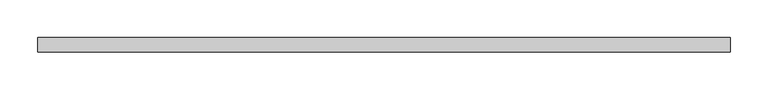
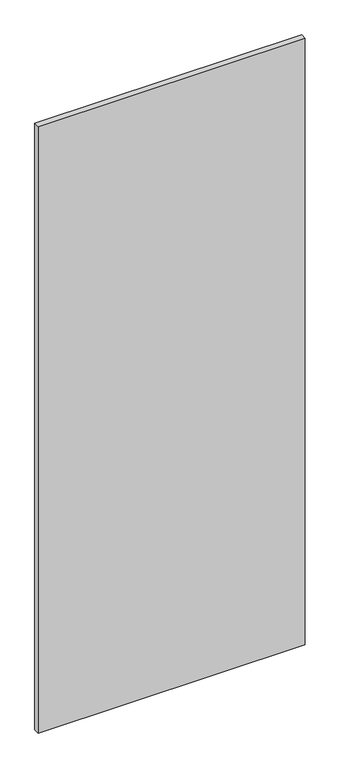
"""IFC4 building model written with IfcOpenShell, lengths in millimetres: proxy geometry."""

from ifc_helpers import new_model, si_unit, frame, origin, place, context, project, spatial, polyline, outline, extrude, source, transform, mapped, element, save


def specialty_equipment_0ae8f608(model_context):
    return source(origin(), model_context, "Body", "SweptSolid", [
        extrude(outline(polyline([(459.2490674, -9.525), (-459.2490674, -9.525), (-459.2490674, 9.525), (459.2490674, 9.525), (459.2490674, -9.525)])), frame((0.0, 0.0, 3.175), z_axis=(0.0, 0.0, 1.0), x_axis=(1.0, 0.0, 0.0)), (0.0, 0.0, 1.0), 2203.45),
    ])


if __name__ == "__main__":
    model = new_model("IFC4")
    model_context = context("Model", 3, world=origin())
    ifc_project = project(units=[si_unit("LENGTHUNIT", "METRE", prefix="MILLI")], contexts=[model_context])
    site = spatial("IfcSite", under=ifc_project)
    building = spatial("IfcBuilding", under=site)
    placement = place(None, origin())
    specialty_equipment_shape = specialty_equipment_0ae8f608(model_context)
    element("IfcBuildingElementProxy", 1, Name="Specialty Equipment", at=placement, inside=building, context=model_context, shape_type="MappedRepresentation", body=[
        mapped(specialty_equipment_shape, transform((0.0, 0.0, 0.0), x_axis=(1.0, 0.0, 0.0), y_axis=(0.0, 1.0, 0.0), z_axis=(0.0, 0.0, 1.0))),
    ])
    save(model, "model.ifc")
